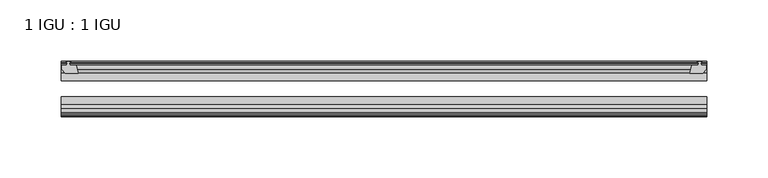
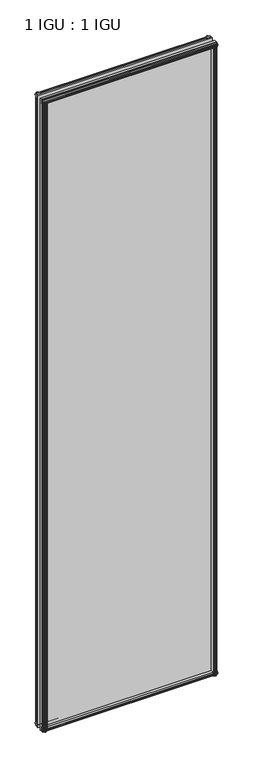
"""IFC4 building model written with IfcOpenShell, lengths in millimetres: plate geometry, 1 IGU : 1 IGU."""

from ifc_helpers import new_model, si_unit, frame, origin, place, context, project, spatial, polyline, outline, extrude, source, transform, mapped, element, save


def plate_1_igu_1_igu_3d930b09(model_context):
    return source(origin(), model_context, "Body", "SweptSolid", [
        extrude(outline(polyline([(255.5249178, -10.4746158), (257.7024469, -9.7670938), (259.8799759, -10.4746158), (259.8799759, -11.27583), (258.4644469, -10.8158968), (258.8454469, -13.1960938), (263.2904469, -13.1960938), (263.2904469, -16.1424938), (260.4561047, -19.5460938), (249.6347288, -19.5460938), (251.3524469, -13.1960938), (256.5594469, -13.1960938), (256.9404469, -10.8158968), (255.5249178, -11.27583), (255.5249178, -10.4746158)])), frame((0.0, 0.0, -12.4587), z_axis=(0.0, 0.0, 1.0), x_axis=(1.0, 0.0, 0.0)), (0.0, 0.0, 1.0), 2018.8174),
        extrude(outline(polyline([(-257.7024469, -9.7670937), (-255.5249178, -10.4746158), (-255.5249178, -11.27583), (-256.9404469, -10.8158968), (-256.5594469, -13.1960937), (-251.3524469, -13.1960937), (-249.6347288, -19.5460937), (-260.4561047, -19.5460937), (-263.2904469, -16.1424937), (-263.2904469, -13.1960937), (-258.8454469, -13.1960937), (-258.4644469, -10.8158968), (-259.8799759, -11.27583), (-259.8799759, -10.4746158), (-257.7024469, -9.7670937)])), frame((0.0, 0.0, -12.4587), z_axis=(0.0, 0.0, 1.0), x_axis=(1.0, 0.0, 0.0)), (0.0, 0.0, 1.0), 2018.8174),
        extrude(outline(polyline([(249.1173308, -44.9460938), (259.9387067, -44.9460938), (262.7730489, -48.3496938), (262.7730489, -51.2960938), (258.3280489, -51.2960938), (257.9470489, -53.6762907), (259.3625779, -53.2163575), (259.3625779, -54.0175717), (257.1850489, -54.7250938), (255.0075198, -54.0175717), (255.0075198, -53.2163575), (256.4230489, -53.6762907), (256.0420489, -51.2960938), (250.8350489, -51.2960938), (249.1173308, -44.9460938)])), frame((0.0, 0.0, -12.4587), z_axis=(0.0, 0.0, 1.0), x_axis=(1.0, 0.0, 0.0)), (0.0, 0.0, 1.0), 2006.1174),
        extrude(outline(polyline([(-249.1140288, -44.9460937), (-250.8317469, -51.2960937), (-256.0387469, -51.2960937), (-256.4197469, -53.6762907), (-255.0042178, -53.2163575), (-255.0042178, -54.0175717), (-257.1817469, -54.7250937), (-259.3592759, -54.0175717), (-259.3592759, -53.2163575), (-257.9437469, -53.6762907), (-258.3247469, -51.2960937), (-262.7697469, -51.2960937), (-262.7697469, -48.3496937), (-259.9354047, -44.9460937), (-249.1140288, -44.9460937)])), frame((0.0, 0.0, -12.4587), z_axis=(0.0, 0.0, 1.0), x_axis=(1.0, 0.0, 0.0)), (0.0, 0.0, 1.0), 2006.1174),
        extrude(outline(polyline([(-10.4746158, -4.6931709), (-9.7670937, -6.8707), (-10.4746158, -9.0482291), (-11.27583, -9.0482291), (-10.8158968, -7.6327), (-13.1960937, -8.0137), (-13.1960937, -12.4587), (-16.1424937, -12.4587), (-19.5460937, -9.6243578), (-19.5460937, 1.1970181), (-13.1960937, -0.5207), (-13.1960937, -5.7277), (-10.8158968, -6.1087), (-11.27583, -4.6931709), (-10.4746158, -4.6931709)])), frame((-263.5317469, 0.0, 0.0), z_axis=(1.0, 0.0, 0.0), x_axis=(0.0, 1.0, 0.0)), (0.0, 0.0, 1.0), 527.0634937),
        extrude(outline(polyline([(-44.9460937, 1.7177181), (-44.9460937, -9.1036578), (-48.3496937, -11.938), (-51.2960937, -11.938), (-51.2960937, -7.493), (-53.6762907, -7.112), (-53.2163575, -8.5275291), (-54.0175717, -8.5275291), (-54.7250937, -6.35), (-54.0175717, -4.1724709), (-53.2163575, -4.1724709), (-53.6762907, -5.588), (-51.2960937, -5.207), (-51.2960937, 0.0), (-44.9460937, 1.7177181)])), frame((-263.5317469, 0.0, 0.0), z_axis=(1.0, 0.0, 0.0), x_axis=(0.0, 1.0, 0.0)), (0.0, 0.0, 1.0), 527.0634937),
        extrude(outline(polyline([(-10.8158968, 2001.5327), (-11.27583, 2002.9482291), (-10.4746158, 2002.9482291), (-9.7670937, 2000.7707), (-10.4746158, 1998.5931709), (-11.27583, 1998.5931709), (-10.8158968, 2000.0087), (-13.1960937, 1999.6277), (-13.1960937, 1994.4207), (-19.5460938, 1992.7029819), (-19.5460938, 2003.5243578), (-16.1424937, 2006.3587), (-13.1960937, 2006.3587), (-13.1960937, 2001.9137), (-10.8158968, 2001.5327)])), frame((-263.5317469, 0.0, 0.0), z_axis=(1.0, 0.0, 0.0), x_axis=(0.0, 1.0, 0.0)), (0.0, 0.0, 1.0), 527.0634937),
        extrude(outline(polyline([(-51.2960937, 2005.838), (-48.3496937, 2005.838), (-44.9460938, 2003.0036578), (-44.9460938, 1992.1822819), (-51.2960937, 1993.9), (-51.2960937, 1999.107), (-53.6762907, 1999.488), (-53.2163575, 1998.0724709), (-54.0175717, 1998.0724709), (-54.7250937, 2000.25), (-54.0175717, 2002.4275291), (-53.2163575, 2002.4275291), (-53.6762907, 2001.012), (-51.2960937, 2001.393), (-51.2960937, 2005.838)])), frame((-263.5317469, 0.0, 0.0), z_axis=(1.0, 0.0, 0.0), x_axis=(0.0, 1.0, 0.0)), (0.0, 0.0, 1.0), 527.0634937),
        extrude(outline(polyline([(-263.5317469, -38.9186738), (263.5317469, -38.9186738), (263.5317469, -44.9460937), (-263.5317469, -44.9460937), (-263.5317469, -38.9186738)])), frame((0.0, 0.0, -12.7), z_axis=(0.0, 0.0, 1.0), x_axis=(1.0, 0.0, 0.0)), (0.0, 0.0, 1.0), 2019.3),
        extrude(outline(polyline([(-263.5317469, -19.5460937), (263.5317469, -19.5460937), (263.5317469, -25.8960938), (-263.5317469, -25.8960938), (-263.5317469, -19.5460937)])), frame((0.0, 0.0, -12.7), z_axis=(0.0, 0.0, 1.0), x_axis=(1.0, 0.0, 0.0)), (0.0, 0.0, 1.0), 2019.3),
    ])


if __name__ == "__main__":
    model = new_model("IFC4")
    model_context = context("Model", 3, world=origin())
    ifc_project = project(units=[si_unit("LENGTHUNIT", "METRE", prefix="MILLI")], contexts=[model_context])
    site = spatial("IfcSite", under=ifc_project)
    building = spatial("IfcBuilding", under=site)
    placement = place(None, origin())
    plate_1_igu_1_igu_shape = plate_1_igu_1_igu_3d930b09(model_context)
    element("IfcPlate", 1, ObjectType="1 IGU : 1 IGU", at=placement, inside=building, context=model_context, shape_type="MappedRepresentation", body=[
        mapped(plate_1_igu_1_igu_shape, transform((0.0, 0.0, 0.0), x_axis=(1.0, 0.0, 0.0), y_axis=(0.0, 1.0, 0.0), z_axis=(0.0, 0.0, 1.0))),
    ])
    save(model, "model.ifc")
